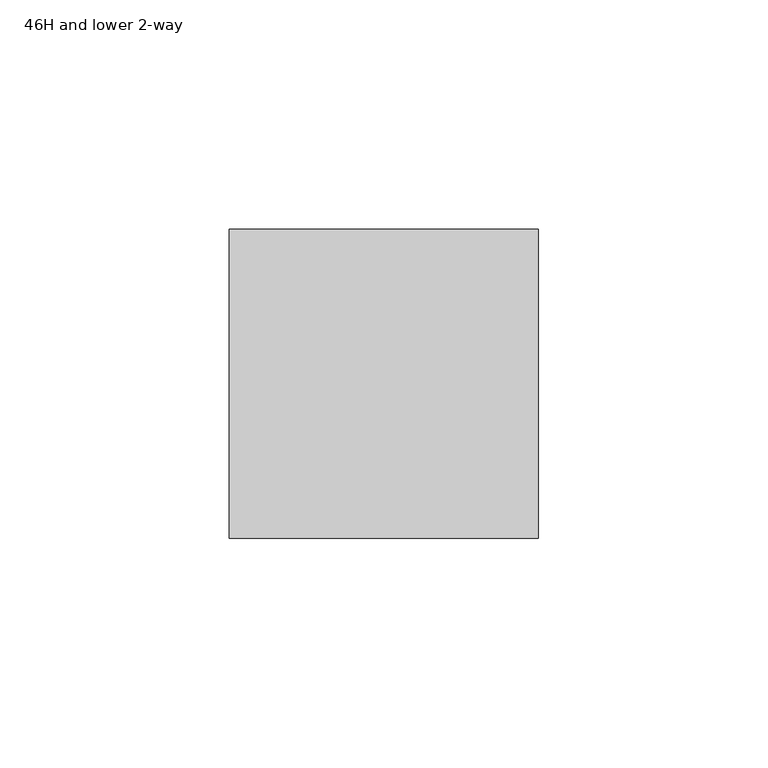
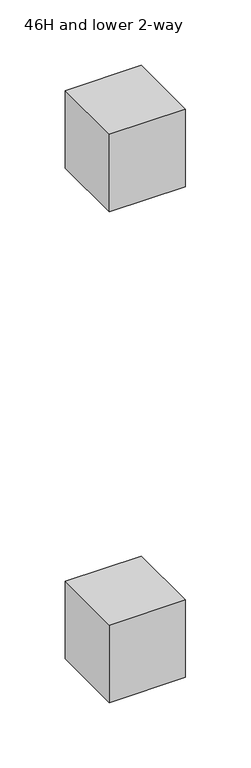
"""IFC4 building model written with IfcOpenShell, lengths in millimetres: furniture geometry, 46H and lower 2-way."""

from ifc_helpers import new_model, si_unit, frame, origin, place, context, project, spatial, polyline, outline, extrude, source, transform, mapped, element, save


def furniture_46h_and_lower_2_way_5386d370(model_context):
    return source(origin(), model_context, "Body", "SweptSolid", [
        extrude(outline(polyline([(33.6311875, -33.6311875), (-33.6311875, -33.6311875), (-33.6311875, 33.6311875), (33.6311875, 33.6311875), (33.6311875, -33.6311875)])), frame((0.0, 0.0, 651.51), z_axis=(0.0, 0.0, 1.0), x_axis=(1.0, 0.0, 0.0)), (0.0, 0.0, 1.0), 72.39),
        extrude(outline(polyline([(33.6311875, 33.6311875), (33.6311875, -33.6311875), (-33.6311875, -33.6311875), (-33.6311875, 33.6311875), (33.6311875, 33.6311875)])), frame((0.0, 0.0, 193.0399976), z_axis=(0.0, 0.0, 1.0), x_axis=(1.0, 0.0, 0.0)), (0.0, 0.0, 1.0), 72.39),
    ])


if __name__ == "__main__":
    model = new_model("IFC4")
    model_context = context("Model", 3, world=origin())
    ifc_project = project(units=[si_unit("LENGTHUNIT", "METRE", prefix="MILLI")], contexts=[model_context])
    site = spatial("IfcSite", under=ifc_project)
    building = spatial("IfcBuilding", under=site)
    placement = place(None, origin())
    furniture_46h_and_lower_2_way_shape = furniture_46h_and_lower_2_way_5386d370(model_context)
    element("IfcFurniture", 1, ObjectType="46H and lower 2-way", at=placement, inside=building, context=model_context, shape_type="MappedRepresentation", body=[
        mapped(furniture_46h_and_lower_2_way_shape, transform((0.0, 0.0, 0.0), x_axis=(1.0, 0.0, 0.0), y_axis=(0.0, 1.0, 0.0), z_axis=(0.0, 0.0, 1.0))),
    ])
    save(model, "model.ifc")
